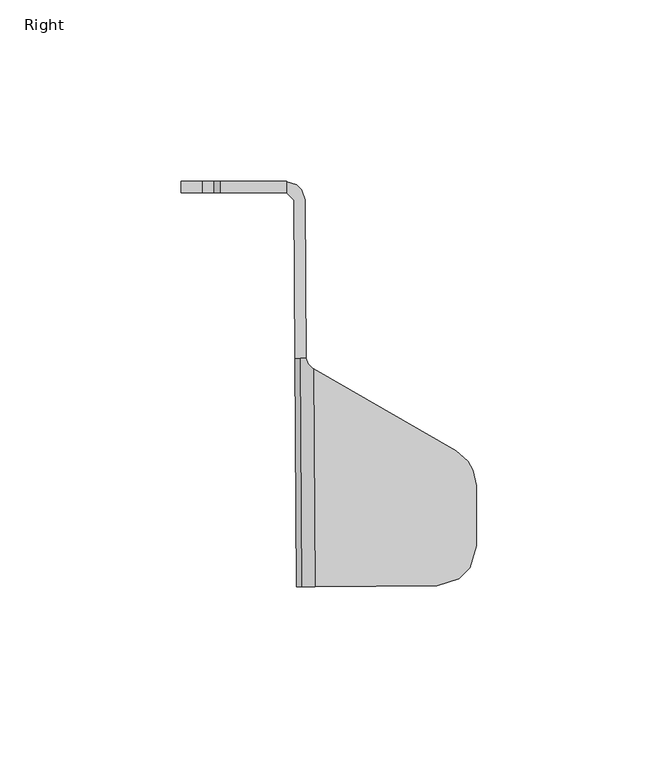
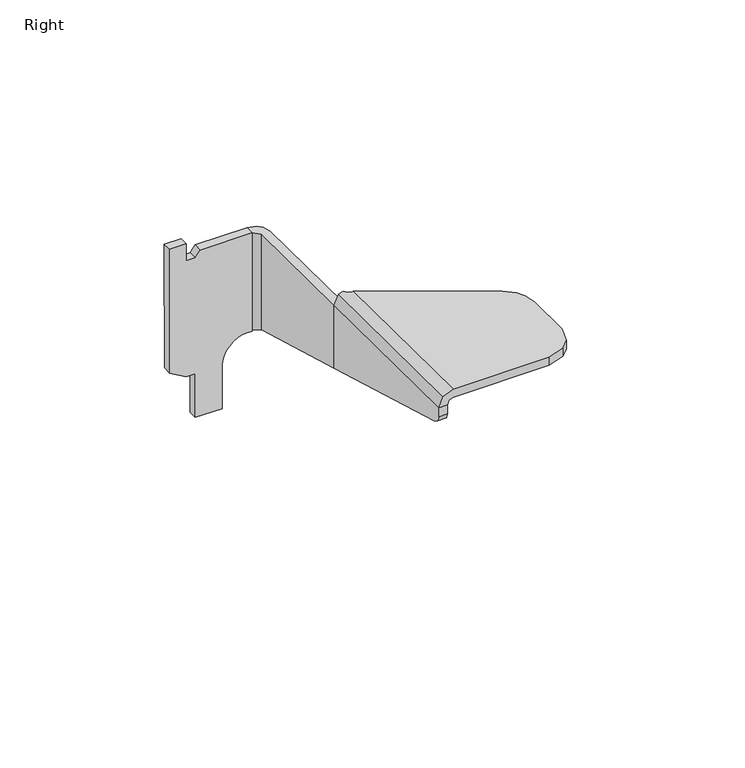
"""IFC4 building model written with IfcOpenShell, lengths in millimetres: furniture geometry, Right."""

from ifc_helpers import new_model, si_unit, point, frame, frame_2d, origin, place, context, project, spatial, polyline, circle_curve, trimmed, segment, composite_curve, outline, extrude, faceted_brep, source, transform, mapped, element, save


def right_8652e65f(model_context):
    return source(origin(), model_context, "Body", "SolidModel", [
        extrude(outline(composite_curve([segment(polyline([(735.3718868, -9.043181), (689.4295127, -9.0048101), (686.06297, -3.1368429), (686.06297, 0.0), (669.7802433, 0.0), (669.7802433, 9.4405802), (685.6897247, 9.4405802)]), True, "CONTINUOUS"), segment(trimmed(circle_curve(frame_2d((685.682994, 18.6724377)), 9.2318599), [point((685.6897247, 9.4405802))], [point((694.8148937, 20.0272977))], True, "CARTESIAN"), True, "CONTINUOUS"), segment(polyline([(694.8148937, 20.0272977), (731.3523085, 20.0272977), (731.2874138, 1.744913), (728.9987121, 0.0), (728.9987121, -3.1992557), (735.3718868, -3.1992557), (735.3718868, -9.043181)]), True, "CONTINUOUS")], self_intersect=False)), frame((0.0, -3.175, 0.0), z_axis=(0.0, 1.0, 0.0), x_axis=(0.0, 0.0, 1.0)), (0.0, 0.0, 1.0), 3.175),
        faceted_brep([(24.3271184, -111.8788197, 734.909338), (22.8427897, -111.8892023, 731.3172698), (25.880564, -111.8679536, 731.3172698), (26.477691, -111.8637768, 732.7623011), (27.921689, -111.8536763, 733.3618466), (61.6603176, -111.6176802, 733.3520651), (61.6603176, -111.6176802, 736.3958933), (27.9074314, -111.853776, 736.3958933), (25.4401282, -48.9020749, 731.3172698), (22.4023539, -48.9233237, 731.3172698), (23.8866826, -48.912941, 734.909338), (25.4401282, -48.9020749, 735.5543327), (27.4866171, -51.6930384, 736.3958933), (27.2783914, -51.5730304, 736.3097902), (26.0473564, -50.3419955, 735.8022614), (72.5605873, -100.5147132, 736.3999447), (72.5630631, -100.5063412, 733.3610381), (72.4477333, -84.0184747, 733.3610381), (72.4451094, -84.0056736, 736.3999447), (26.0473564, -50.3419955, 732.7623011), (27.2783914, -51.5730304, 733.2698246), (27.5009402, -51.7012933, 733.3618495), (67.7150437, -109.7346446, 733.3570237), (67.7150437, -109.7346446, 736.3958933), (70.7416895, -106.6653643, 733.3595145), (70.7416895, -106.6653643, 736.3958933), (71.571726, -79.7447418, 736.3958933), (70.1069898, -77.2303241, 736.3958933), (66.8313358, -74.3688118, 736.3958933), (66.8313358, -74.3688118, 733.3565037), (70.1069898, -77.2303241, 733.3591641), (71.571726, -79.7447418, 733.3603467)], [[[0, 1, 2, 3, 4, 5, 6, 7]], [[8, 9, 10, 11]], [[0, 7, 12, 13, 14, 11, 10]], [[15, 16, 17, 18]], [[4, 3, 19, 20, 21]], [[3, 2, 8, 19]], [[2, 1, 9, 8]], [[1, 0, 10, 9]], [[22, 23, 6, 5]], [[23, 22, 24, 25]], [[25, 24, 16, 15]], [[7, 6, 23, 25, 15, 18, 26, 27, 28, 12]], [[5, 4, 21, 29, 30, 31, 17, 16, 24, 22]], [[31, 26, 18, 17]], [[26, 31, 30, 27]], [[27, 30, 29, 28]], [[28, 29, 21, 20, 13, 12]], [[13, 20, 19, 14]], [[14, 19, 8, 11]]]),
        faceted_brep([(22.8508513, -0.9733943, 731.3523085), (20.0272977, -0.1384018, 731.3523085), (20.0272977, -3.1562718, 731.3523085), (22.0954355, -5.1956767, 731.3523085), (22.4013057, -48.923331, 731.3523085), (22.8417415, -111.8892097, 731.3523085), (25.8807127, -111.8892097, 731.3523085), (25.4401282, -48.902075, 731.3523085), (25.1342671, -5.1744207, 731.3523085), (24.259861, -2.3628287, 731.3523085), (20.0272977, -0.1384018, 694.8148937), (22.8508513, -0.9733943, 694.8148937), (23.4743278, -1.5882089, 694.8148937), (20.0272977, -1.5882089, 694.8148937), (24.259861, -2.3628287, 695.0312745), (25.1342671, -5.1744207, 695.816659), (25.4401282, -48.902075, 708.0314553), (25.8807127, -111.8892097, 728.0364944), (25.8761219, -111.2328907, 726.1030005), (25.8642467, -109.5351927, 724.9685903), (22.8417415, -111.8892097, 728.0364944), (22.4013057, -48.923331, 708.0373929), (22.8252755, -109.5351927, 724.9685903), (22.8371507, -111.2328907, 726.1030005), (22.0954355, -5.1956767, 695.8225966), (20.0272977, -3.1562718, 695.2529133)], [[[0, 1, 2, 3, 4, 5, 6, 7, 8, 9]], [[10, 11, 12, 13]], [[1, 0, 11, 10]], [[0, 9, 14, 12, 11]], [[9, 8, 15, 14]], [[8, 7, 16, 15]], [[7, 6, 17, 18, 19, 16]], [[6, 5, 20, 17]], [[5, 4, 21, 22, 23, 20]], [[4, 3, 24, 21]], [[3, 2, 25, 24]], [[2, 1, 10, 13, 25]], [[18, 23, 22, 19]], [[23, 18, 17, 20]], [[19, 22, 21, 24, 25, 13, 12, 14, 15, 16]]]),
    ])


if __name__ == "__main__":
    model = new_model("IFC4")
    model_context = context("Model", 3, world=origin())
    ifc_project = project(units=[si_unit("LENGTHUNIT", "METRE", prefix="MILLI")], contexts=[model_context])
    site = spatial("IfcSite", under=ifc_project)
    building = spatial("IfcBuilding", under=site)
    placement = place(None, origin())
    right_shape = right_8652e65f(model_context)
    element("IfcFurniture", 1, ObjectType="Right", at=placement, inside=building, context=model_context, shape_type="MappedRepresentation", body=[
        mapped(right_shape, transform((0.0, 0.0, 0.0), x_axis=(1.0, 0.0, 0.0), y_axis=(0.0, 1.0, 0.0), z_axis=(0.0, 0.0, 1.0))),
    ])
    save(model, "model.ifc")
